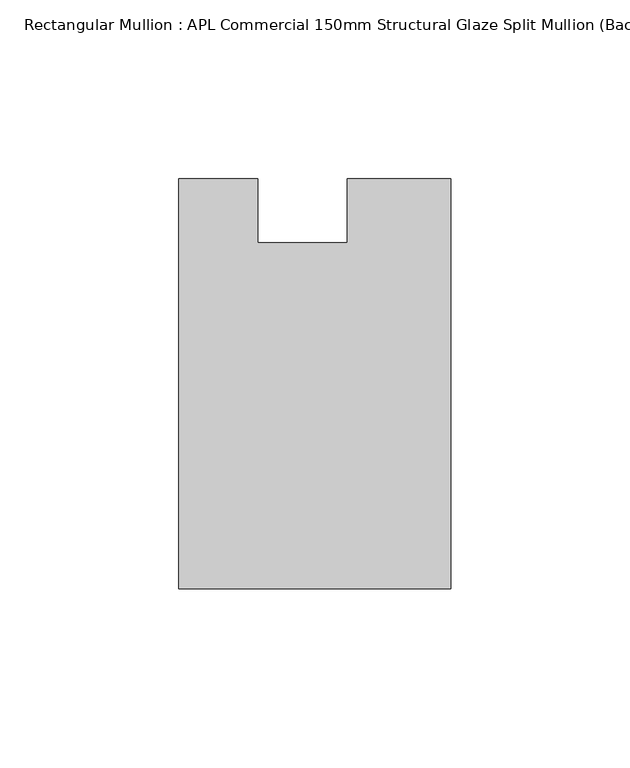
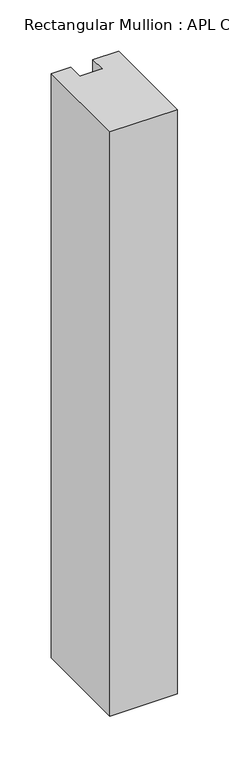
"""IFC4 building model written with IfcOpenShell, lengths in millimetres: member geometry, Rectangular Mullion : APL Commercial 150mm Structural Glaze Split Mullion (Back)."""

from ifc_helpers import new_model, si_unit, frame, origin, place, context, project, spatial, polyline, outline, extrude, source, transform, mapped, element, save


def rectangular_mullion_apl_commercial_150mm_structural_glaze_d6b2a99c(model_context):
    return source(origin(), model_context, "Body", "SweptSolid", [
        extrude(outline(polyline([(37.9999914, -129.5195626), (-37.9999896, -129.5195626), (-37.9999896, -14.9960123), (-16.0, -14.9960123), (-16.0, -32.7960123), (9.0, -32.7960123), (9.0, -14.9960123), (37.9999914, -14.9960123), (37.9999914, -129.5195626)])), frame((0.0, 0.0, -696.6149239), z_axis=(0.0, 0.0, 1.0), x_axis=(1.0, 0.0, 0.0)), (0.0, 0.0, 1.0), 696.6149239),
    ])


if __name__ == "__main__":
    model = new_model("IFC4")
    model_context = context("Model", 3, world=origin())
    ifc_project = project(units=[si_unit("LENGTHUNIT", "METRE", prefix="MILLI")], contexts=[model_context])
    site = spatial("IfcSite", under=ifc_project)
    building = spatial("IfcBuilding", under=site)
    placement = place(None, origin())
    rectangular_mullion_apl_commercial_150mm_structural_glaze_shape = rectangular_mullion_apl_commercial_150mm_structural_glaze_d6b2a99c(model_context)
    element("IfcMember", 1, ObjectType="Rectangular Mullion : APL Commercial 150mm Structural Glaze Split Mullion (Back)", at=placement, inside=building, context=model_context, shape_type="MappedRepresentation", body=[
        mapped(rectangular_mullion_apl_commercial_150mm_structural_glaze_shape, transform((0.0, 0.0, 0.0), x_axis=(1.0, 0.0, 0.0), y_axis=(0.0, 1.0, 0.0), z_axis=(0.0, 0.0, 1.0))),
    ])
    save(model, "model.ifc")
